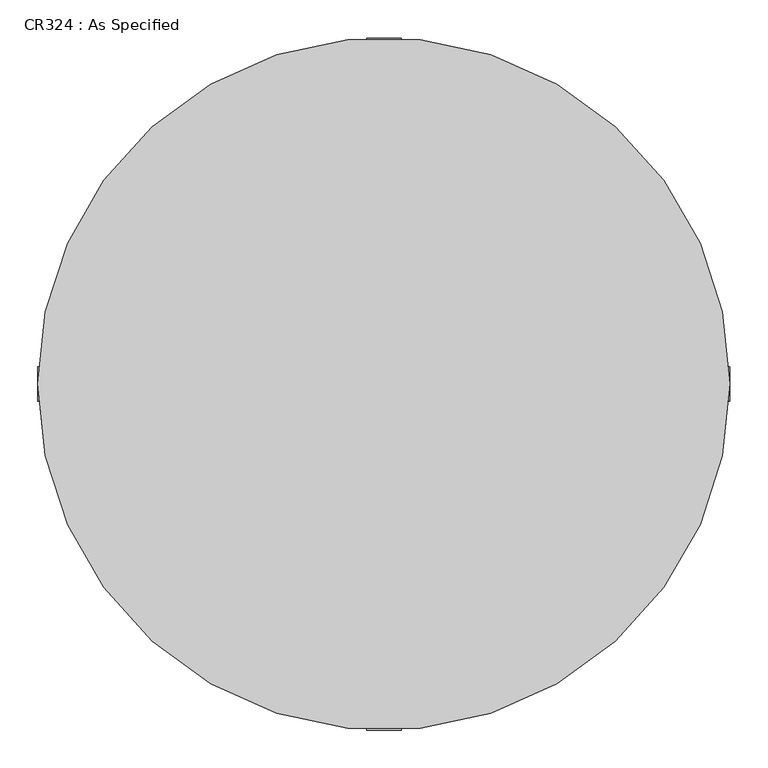
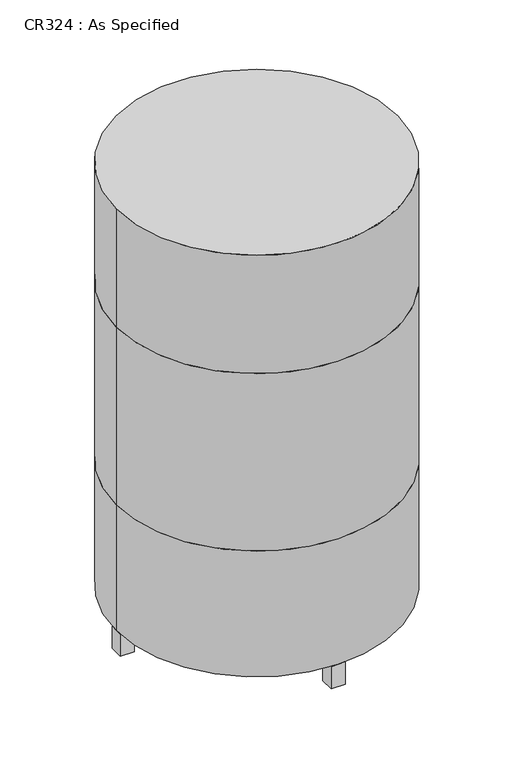
"""IFC4 building model written with IfcOpenShell, lengths in millimetres: proxy geometry, CR324 : As Specified."""

from ifc_helpers import new_model, si_unit, point, frame, origin, origin_with_axes, origin_2d, place, context, project, spatial, polyline, circle_curve, trimmed, segment, composite_curve, outline, extrude, source, transform, mapped, element, save


def cr324_as_specified_27332ed6(model_context):
    return source(origin(), model_context, "Body", "SweptSolid", [
        extrude(outline(polyline([(-76.2, 279.4), (-76.2, 228.6), (-127.0, 228.6), (-127.0, 279.4), (-76.2, 279.4)])), frame((0.0, 0.0, 50.8), z_axis=(0.0, 0.0, 1.0), x_axis=(1.0, 0.0, 0.0)), (0.0, 0.0, 1.0), 25.4),
        extrude(outline(polyline([(76.2, 279.4), (127.0, 279.4), (127.0, 228.6), (76.2, 228.6), (76.2, 279.4)])), frame((0.0, 0.0, 50.8), z_axis=(0.0, 0.0, 1.0), x_axis=(1.0, 0.0, 0.0)), (0.0, 0.0, 1.0), 25.4),
        extrude(outline(polyline([(22.86, 457.2), (22.86, 411.48), (-22.86, 411.48), (-22.86, 457.2), (22.86, 457.2)])), origin_with_axes(), (0.0, 0.0, 1.0), 76.2),
        extrude(outline(polyline([(457.2, 22.86), (457.2, -22.86), (411.48, -22.86), (411.48, 22.86), (457.2, 22.86)])), origin_with_axes(), (0.0, 0.0, 1.0), 76.2),
        extrude(outline(polyline([(22.86, -457.2), (-22.86, -457.2), (-22.86, -411.48), (22.86, -411.48), (22.86, -457.2)])), origin_with_axes(), (0.0, 0.0, 1.0), 76.2),
        extrude(outline(polyline([(-457.2, 22.86), (-411.48, 22.86), (-411.48, -22.86), (-457.2, -22.86), (-457.2, 22.86)])), origin_with_axes(), (0.0, 0.0, 1.0), 76.2),
        extrude(outline(composite_curve([segment(trimmed(circle_curve(origin_2d(), 457.2), [point((457.2, 0.0))], [point((-457.2, 0.0))], False, "CARTESIAN"), True, "CONTINUOUS"), segment(trimmed(circle_curve(origin_2d(), 457.2), [point((-457.2, 0.0))], [point((457.2, 0.0))], False, "CARTESIAN"), True, "CONTINUOUS")], self_intersect=False)), frame((0.0, 0.0, 508.0), z_axis=(0.0, 0.0, 1.0), x_axis=(1.0, 0.0, 0.0)), (0.0, 0.0, 1.0), 609.6),
        extrude(outline(composite_curve([segment(trimmed(circle_curve(origin_2d(), 457.2), [point((457.2, 0.0))], [point((-457.2, 0.0))], False, "CARTESIAN"), True, "CONTINUOUS"), segment(trimmed(circle_curve(origin_2d(), 457.2), [point((-457.2, 0.0))], [point((457.2, 0.0))], False, "CARTESIAN"), True, "CONTINUOUS")], self_intersect=False)), frame((0.0, 0.0, 1117.6), z_axis=(0.0, 0.0, 1.0), x_axis=(1.0, 0.0, 0.0)), (0.0, 0.0, 1.0), 406.4),
        extrude(outline(composite_curve([segment(trimmed(circle_curve(origin_2d(), 457.2), [point((457.2, 0.0))], [point((-457.2, 0.0))], False, "CARTESIAN"), True, "CONTINUOUS"), segment(trimmed(circle_curve(origin_2d(), 457.2), [point((-457.2, 0.0))], [point((457.2, 0.0))], False, "CARTESIAN"), True, "CONTINUOUS")], self_intersect=False)), frame((0.0, 0.0, 76.2), z_axis=(0.0, 0.0, 1.0), x_axis=(1.0, 0.0, 0.0)), (0.0, 0.0, 1.0), 431.8),
    ])


if __name__ == "__main__":
    model = new_model("IFC4")
    model_context = context("Model", 3, world=origin())
    ifc_project = project(units=[si_unit("LENGTHUNIT", "METRE", prefix="MILLI")], contexts=[model_context])
    site = spatial("IfcSite", under=ifc_project)
    building = spatial("IfcBuilding", under=site)
    placement = place(None, origin())
    cr324_as_specified_shape = cr324_as_specified_27332ed6(model_context)
    element("IfcBuildingElementProxy", 1, Name="CR324 : As Specified", ObjectType="CR324 : As Specified", at=placement, inside=building, context=model_context, shape_type="MappedRepresentation", body=[
        mapped(cr324_as_specified_shape, transform((0.0, 0.0, 0.0), x_axis=(1.0, 0.0, 0.0), y_axis=(0.0, 1.0, 0.0), z_axis=(0.0, 0.0, 1.0))),
    ])
    save(model, "model.ifc")
